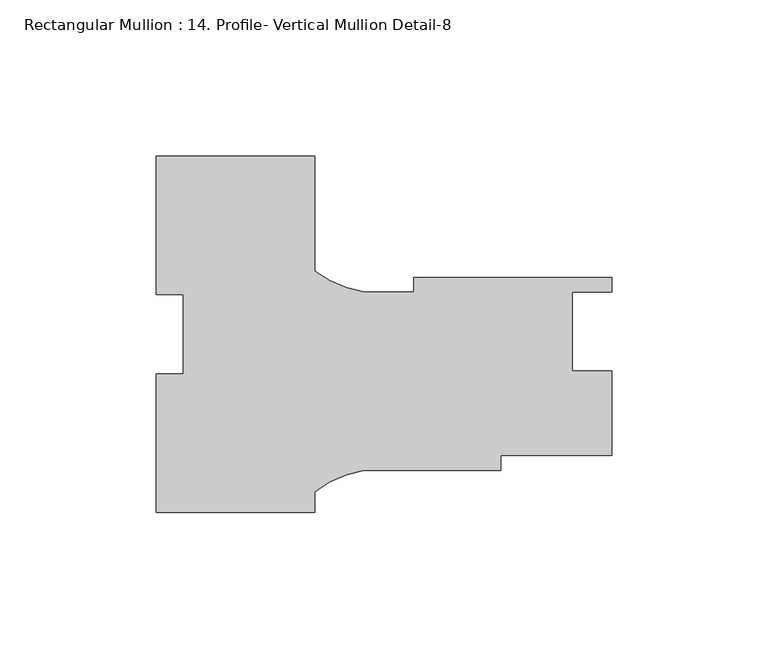
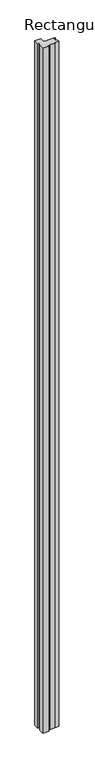
"""IFC4 building model written with IfcOpenShell, lengths in millimetres: member geometry, Rectangular Mullion : 14. Profile- Vertical Mullion Detail-8."""

from ifc_helpers import new_model, si_unit, point, frame, frame_2d, origin, place, context, project, spatial, polyline, circle_curve, trimmed, segment, composite_curve, outline, extrude, source, transform, mapped, element, save


def rectangular_mullion_14_profile_vertical_mullion_detail_8_7cf55916(model_context):
    return source(origin(), model_context, "Body", "SweptSolid", [
        extrude(outline(composite_curve([segment(polyline([(-34.13125, 12.7438492), (-34.13125, 57.1611535), (16.66875, 57.1611535), (16.66875, 20.3351886)]), True, "CONTINUOUS"), segment(trimmed(circle_curve(frame_2d((38.8530506, 49.8792256)), 36.945816), [point((16.66875, 20.3351886))], [point((32.4874866, 13.485917))], True, "CARTESIAN"), True, "CONTINUOUS"), segment(polyline([(32.4874866, 13.485917), (48.41875, 13.485917), (48.41875, 18.248417), (111.91875, 18.248417), (111.91875, 13.549417), (99.21875, 13.549417), (99.21875, -11.850583), (111.91875, -11.850583), (111.91875, -38.901583), (76.3188017, -38.901583), (76.3188017, -43.664083), (32.4860361, -43.664083)]), True, "CONTINUOUS"), segment(trimmed(circle_curve(frame_2d((38.8530506, -80.057138)), 36.945816), [point((32.4860361, -43.664083))], [point((16.66875, -50.5131009))], True, "CARTESIAN"), True, "CONTINUOUS"), segment(polyline([(16.66875, -50.5131009), (16.66875, -57.1388465), (-34.13125, -57.1388465), (-34.13125, -12.7438492), (-25.4, -12.7438492), (-25.4, 12.7438492), (-34.13125, 12.7438492)]), True, "CONTINUOUS")], self_intersect=False)), frame((0.0, 0.0, -6096.0), z_axis=(0.0, 0.0, 1.0), x_axis=(1.0, 0.0, 0.0)), (0.0, 0.0, 1.0), 6096.0),
    ])


if __name__ == "__main__":
    model = new_model("IFC4")
    model_context = context("Model", 3, world=origin())
    ifc_project = project(units=[si_unit("LENGTHUNIT", "METRE", prefix="MILLI")], contexts=[model_context])
    site = spatial("IfcSite", under=ifc_project)
    building = spatial("IfcBuilding", under=site)
    placement = place(None, origin())
    rectangular_mullion_14_profile_vertical_mullion_detail_8_shape = rectangular_mullion_14_profile_vertical_mullion_detail_8_7cf55916(model_context)
    element("IfcMember", 1, ObjectType="Rectangular Mullion : 14. Profile- Vertical Mullion Detail-8", at=placement, inside=building, context=model_context, shape_type="MappedRepresentation", body=[
        mapped(rectangular_mullion_14_profile_vertical_mullion_detail_8_shape, transform((0.0, 0.0, 0.0), x_axis=(1.0, 0.0, 0.0), y_axis=(0.0, 1.0, 0.0), z_axis=(0.0, 0.0, 1.0))),
    ])
    save(model, "model.ifc")
